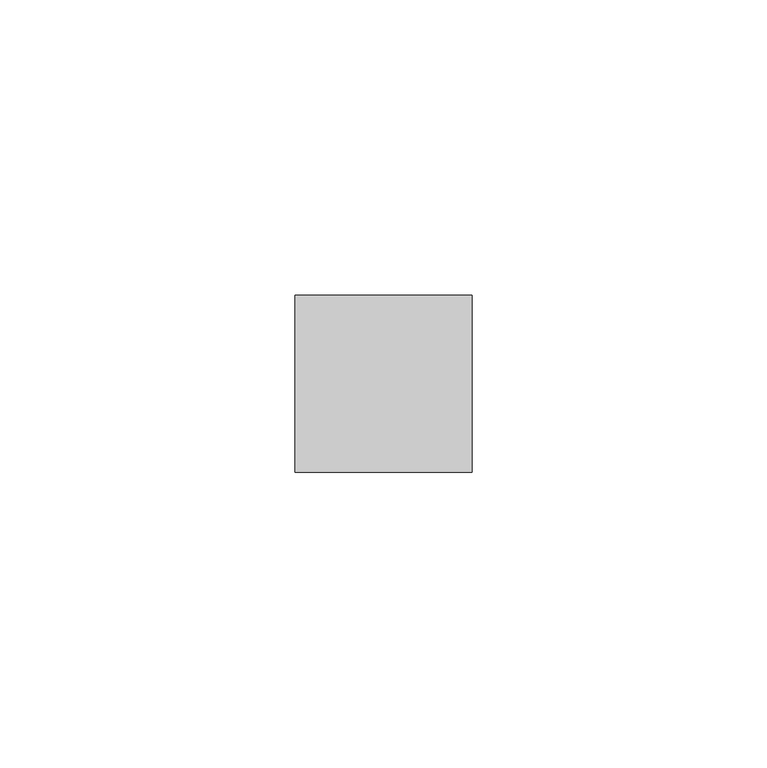
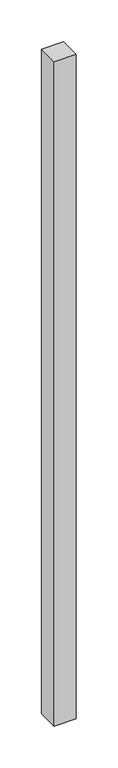
"""IFC4 building model written with IfcOpenShell, lengths in millimetres: member geometry."""

from ifc_helpers import new_model, si_unit, frame, origin, place, context, project, spatial, polyline, outline, extrude, source, transform, mapped, element, save


def member_73c5a41d(model_context):
    return source(origin(), model_context, "Body", "SweptSolid", [
        extrude(outline(polyline([(15.0, 15.0), (15.0, -15.0), (-15.0, -15.0), (-15.0, 15.0), (15.0, 15.0)])), frame((0.0, 0.0, -967.5), z_axis=(0.0, 0.0, 1.0), x_axis=(1.0, 0.0, 0.0)), (0.0, 0.0, 1.0), 967.5),
    ])


if __name__ == "__main__":
    model = new_model("IFC4")
    model_context = context("Model", 3, world=origin())
    ifc_project = project(units=[si_unit("LENGTHUNIT", "METRE", prefix="MILLI")], contexts=[model_context])
    site = spatial("IfcSite", under=ifc_project)
    building = spatial("IfcBuilding", under=site)
    placement = place(None, origin())
    member_shape = member_73c5a41d(model_context)
    element("IfcMember", 1, at=placement, inside=building, context=model_context, shape_type="MappedRepresentation", body=[
        mapped(member_shape, transform((0.0, 0.0, 0.0), x_axis=(1.0, 0.0, 0.0), y_axis=(0.0, 1.0, 0.0), z_axis=(0.0, 0.0, 1.0))),
    ])
    save(model, "model.ifc")
